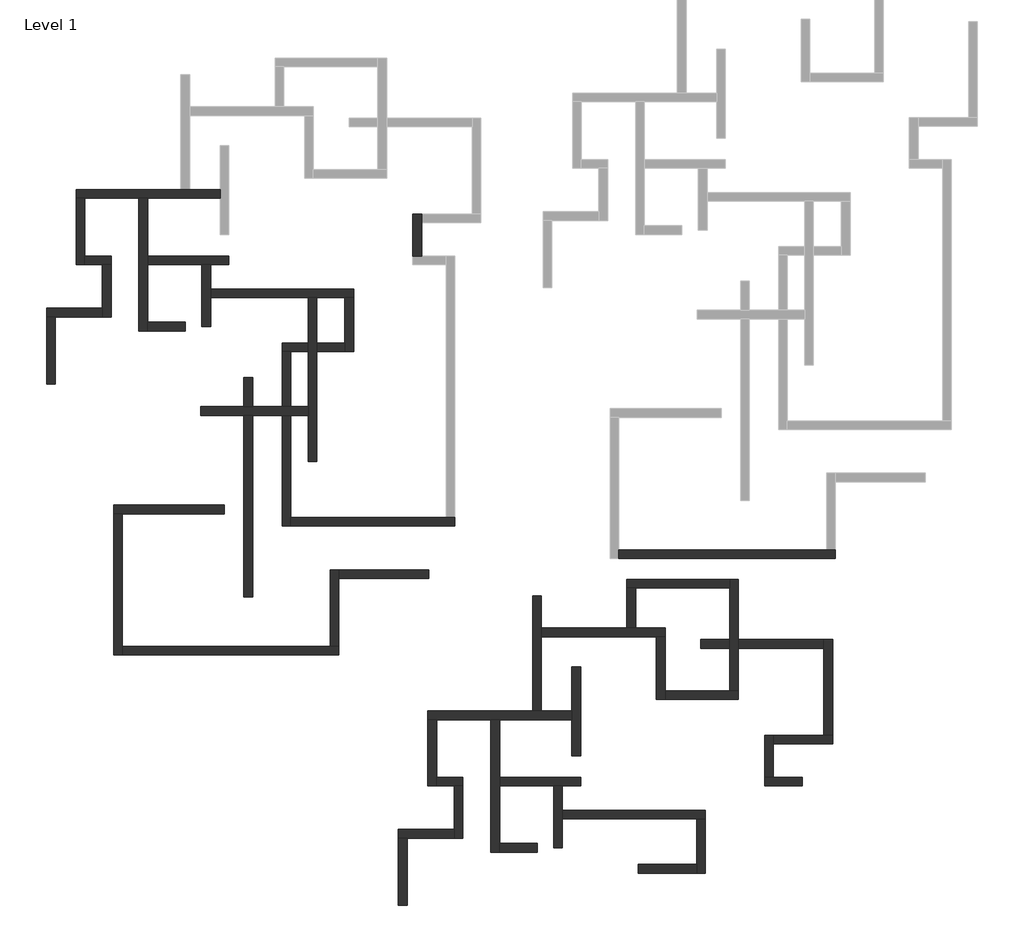
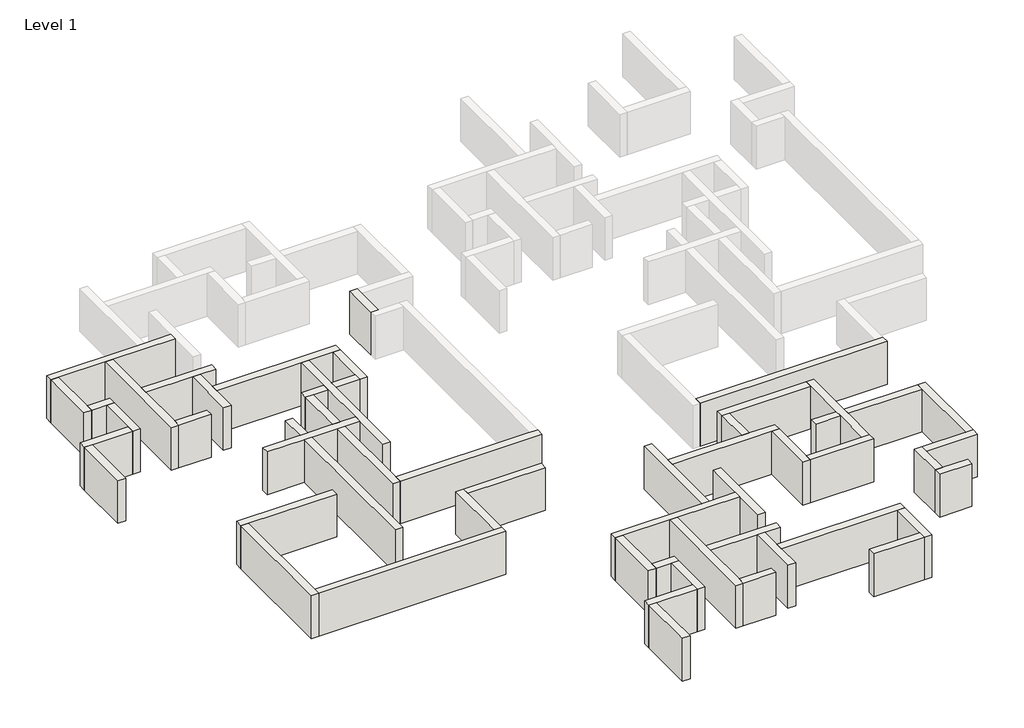
# One storey, part 1 of 2: 51 walls.
"""IFC4 building model written with IfcOpenShell, lengths in millimetres."""

from ifc_helpers import new_model, si_unit, origin, origin_with_axes, place, context, project, spatial, polyline, outline, extrude, faceted_brep, element, save

model = new_model("IFC4")

# Units and contexts
model_context = context("Model", 3, world=origin())
ifc_project = project(units=[si_unit("LENGTHUNIT", "METRE", prefix="MILLI")], contexts=[model_context])

# Site, building, storey
site = spatial("IfcSite", under=ifc_project)
building = spatial("IfcBuilding", under=site)
storey = spatial("IfcBuildingStorey", under=building, Name="Level 1", Elevation=0.0)

# Walls
placement = place(None, origin())
element("IfcWall", 1, ObjectType="Generic - 200mm", at=placement, inside=storey, context=model_context, shape_type="Brep", body=[
    faceted_brep([(-19634.8033404, 18137.4534844, 0.0), (-19134.8033404, 18137.4534844, 0.0), (-16034.8033404, 18137.4534844, 0.0), (-15534.8033404, 18137.4534844, 0.0), (-11384.8033404, 18137.4534844, 0.0), (-11384.8033404, 18137.4534844, 3000.0), (-15534.8033404, 18137.4534844, 3000.0), (-16034.8033404, 18137.4534844, 3000.0), (-19134.8033404, 18137.4534844, 3000.0), (-19634.8033404, 18137.4534844, 3000.0), (-19634.8033404, 18637.4534844, 0.0), (-19634.8033404, 18637.4534844, 3000.0), (-13634.8033404, 18637.4534844, 3000.0), (-13134.8033404, 18637.4534844, 3000.0), (-11384.8033404, 18637.4534844, 3000.0), (-11384.8033404, 18637.4534844, 0.0), (-13134.8033404, 18637.4534844, 0.0), (-13634.8033404, 18637.4534844, 0.0)], [[[0, 1, 2, 3, 4, 5, 6, 7, 8, 9]], [[10, 11, 12, 13, 14, 15, 16, 17]], [[4, 3, 2, 1, 0, 10, 17, 16, 15]], [[9, 8, 7, 6, 5, 14, 13, 12, 11]], [[0, 9, 11, 10]], [[5, 4, 15, 14]]]),
])
element("IfcWall", 2, ObjectType="Generic - 200mm", at=placement, inside=storey, context=model_context, shape_type="Brep", body=[
    faceted_brep([(-16034.8033404, 18137.4534844, 0.0), (-16034.8033404, 10537.4534844, 0.0), (-16034.8033404, 10537.4534844, 3000.0), (-16034.8033404, 18137.4534844, 3000.0), (-15534.8033404, 18137.4534844, 0.0), (-15534.8033404, 18137.4534844, 3000.0), (-15534.8033404, 14837.4534844, 3000.0), (-15534.8033404, 14337.4534844, 3000.0), (-15534.8033404, 11037.4534844, 3000.0), (-15534.8033404, 10537.4534844, 3000.0), (-15534.8033404, 10537.4534844, 0.0), (-15534.8033404, 11037.4534844, 0.0), (-15534.8033404, 14337.4534844, 0.0), (-15534.8033404, 14837.4534844, 0.0)], [[[0, 1, 2, 3]], [[4, 5, 6, 7, 8, 9, 10, 11, 12, 13]], [[1, 0, 4, 13, 12, 11, 10]], [[3, 2, 9, 8, 7, 6, 5]], [[0, 3, 5, 4]], [[2, 1, 10, 9]]]),
])
element("IfcWall", 3, ObjectType="Generic - 200mm", at=placement, inside=storey, context=model_context, shape_type="Brep", body=[
    faceted_brep([(-15534.8033404, 14337.4534844, 0.0), (-12434.8033404, 14337.4534844, 0.0), (-11934.8033404, 14337.4534844, 0.0), (-10884.8033404, 14337.4534844, 0.0), (-10884.8033404, 14337.4534844, 3000.0), (-11934.8033404, 14337.4534844, 3000.0), (-12434.8033404, 14337.4534844, 3000.0), (-15534.8033404, 14337.4534844, 3000.0), (-15534.8033404, 14837.4534844, 0.0), (-15534.8033404, 14837.4534844, 3000.0), (-10884.8033404, 14837.4534844, 3000.0), (-10884.8033404, 14837.4534844, 0.0)], [[[0, 1, 2, 3, 4, 5, 6, 7]], [[8, 9, 10, 11]], [[3, 2, 1, 0, 8, 11]], [[4, 3, 11, 10]], [[7, 6, 5, 4, 10, 9]], [[0, 7, 9, 8]]]),
])
element("IfcWall", 4, ObjectType="Generic - 200mm", at=placement, inside=storey, context=model_context, shape_type="Brep", body=[
    faceted_brep([(-12434.8033404, 14337.4534844, 0.0), (-12434.8033404, 10787.4534844, 0.0), (-12434.8033404, 10787.4534844, 3000.0), (-12434.8033404, 14337.4534844, 3000.0), (-11934.8033404, 14337.4534844, 0.0), (-11934.8033404, 14337.4534844, 3000.0), (-11934.8033404, 12937.4534844, 3000.0), (-11934.8033404, 12437.4534844, 3000.0), (-11934.8033404, 10787.4534844, 3000.0), (-11934.8033404, 10787.4534844, 0.0), (-11934.8033404, 12437.4534844, 0.0), (-11934.8033404, 12937.4534844, 0.0)], [[[0, 1, 2, 3]], [[4, 5, 6, 7, 8, 9, 10, 11]], [[1, 0, 4, 11, 10, 9]], [[2, 1, 9, 8]], [[3, 2, 8, 7, 6, 5]], [[0, 3, 5, 4]]]),
])
element("IfcWall", 5, ObjectType="Generic - 200mm", at=placement, inside=storey, context=model_context, shape_type="Brep", body=[
    faceted_brep([(-19634.8033404, 18137.4534844, 0.0), (-19634.8033404, 14337.4534844, 0.0), (-19634.8033404, 14337.4534844, 3000.0), (-19634.8033404, 18137.4534844, 3000.0), (-19134.8033404, 18137.4534844, 0.0), (-19134.8033404, 18137.4534844, 3000.0), (-19134.8033404, 14837.4534844, 3000.0), (-19134.8033404, 14337.4534844, 3000.0), (-19134.8033404, 14337.4534844, 0.0), (-19134.8033404, 14837.4534844, 0.0)], [[[0, 1, 2, 3]], [[4, 5, 6, 7, 8, 9]], [[1, 0, 4, 9, 8]], [[3, 2, 7, 6, 5]], [[0, 3, 5, 4]], [[2, 1, 8, 7]]]),
])
element("IfcWall", 6, ObjectType="Generic - 200mm", at=placement, inside=storey, context=model_context, shape_type="Brep", body=[
    faceted_brep([(-19134.8033404, 14337.4534844, 0.0), (-18134.8033404, 14337.4534844, 0.0), (-17634.8033404, 14337.4534844, 0.0), (-17634.8033404, 14337.4534844, 3000.0), (-18134.8033404, 14337.4534844, 3000.0), (-19134.8033404, 14337.4534844, 3000.0), (-19134.8033404, 14837.4534844, 0.0), (-19134.8033404, 14837.4534844, 3000.0), (-17634.8033404, 14837.4534844, 3000.0), (-17634.8033404, 14837.4534844, 0.0)], [[[0, 1, 2, 3, 4, 5]], [[6, 7, 8, 9]], [[2, 1, 0, 6, 9]], [[5, 4, 3, 8, 7]], [[0, 5, 7, 6]], [[3, 2, 9, 8]]]),
])
element("IfcWall", 7, ObjectType="Generic - 200mm", at=placement, inside=storey, context=model_context, shape_type="Brep", body=[
    faceted_brep([(-18134.8033404, 14337.4534844, 0.0), (-18134.8033404, 11837.4534844, 0.0), (-18134.8033404, 11337.4534844, 0.0), (-18134.8033404, 11337.4534844, 3000.0), (-18134.8033404, 11837.4534844, 3000.0), (-18134.8033404, 14337.4534844, 3000.0), (-17634.8033404, 14337.4534844, 0.0), (-17634.8033404, 14337.4534844, 3000.0), (-17634.8033404, 11337.4534844, 3000.0), (-17634.8033404, 11337.4534844, 0.0)], [[[0, 1, 2, 3, 4, 5]], [[6, 7, 8, 9]], [[2, 1, 0, 6, 9]], [[5, 4, 3, 8, 7]], [[0, 5, 7, 6]], [[3, 2, 9, 8]]]),
])
element("IfcWall", 8, ObjectType="Generic - 200mm", at=placement, inside=storey, context=model_context, shape_type="Brep", body=[
    faceted_brep([(-18134.8033404, 11837.4534844, 0.0), (-21334.8033404, 11837.4534844, 0.0), (-21334.8033404, 11837.4534844, 3000.0), (-18134.8033404, 11837.4534844, 3000.0), (-18134.8033404, 11337.4534844, 0.0), (-18134.8033404, 11337.4534844, 3000.0), (-20834.8033404, 11337.4534844, 3000.0), (-21334.8033404, 11337.4534844, 3000.0), (-21334.8033404, 11337.4534844, 0.0), (-20834.8033404, 11337.4534844, 0.0)], [[[0, 1, 2, 3]], [[4, 5, 6, 7, 8, 9]], [[1, 0, 4, 9, 8]], [[3, 2, 7, 6, 5]], [[0, 3, 5, 4]], [[2, 1, 8, 7]]]),
])
element("IfcWall", 9, ObjectType="Generic - 200mm", at=placement, inside=storey, context=model_context, shape_type="SweptSolid", body=[
    extrude(outline(polyline([(-21334.8033404, 7487.4534844), (-21334.8033404, 11337.4534844), (-20834.8033404, 11337.4534844), (-20834.8033404, 7487.4534844), (-21334.8033404, 7487.4534844)])), origin_with_axes(), (0.0, 0.0, 1.0), 3000.0),
])
element("IfcWall", 10, ObjectType="Generic - 200mm", at=placement, inside=storey, context=model_context, shape_type="SweptSolid", body=[
    extrude(outline(polyline([(-13384.8033404, 10537.4534844), (-15534.8033404, 10537.4534844), (-15534.8033404, 11037.4534844), (-13384.8033404, 11037.4534844), (-13384.8033404, 10537.4534844)])), origin_with_axes(), (0.0, 0.0, 1.0), 3000.0),
])
element("IfcWall", 11, ObjectType="Generic - 200mm", at=placement, inside=storey, context=model_context, shape_type="Brep", body=[
    faceted_brep([(-11934.8033404, 12437.4534844, 0.0), (-6334.8033404, 12437.4534844, 0.0), (-5834.8033404, 12437.4534844, 0.0), (-4234.8033404, 12437.4534844, 0.0), (-3734.8033404, 12437.4534844, 0.0), (-3734.8033404, 12437.4534844, 3000.0), (-4234.8033404, 12437.4534844, 3000.0), (-5834.8033404, 12437.4534844, 3000.0), (-6334.8033404, 12437.4534844, 3000.0), (-11934.8033404, 12437.4534844, 3000.0), (-11934.8033404, 12937.4534844, 0.0), (-11934.8033404, 12937.4534844, 3000.0), (-3734.8033404, 12937.4534844, 3000.0), (-3734.8033404, 12937.4534844, 0.0)], [[[0, 1, 2, 3, 4, 5, 6, 7, 8, 9]], [[10, 11, 12, 13]], [[4, 3, 2, 1, 0, 10, 13]], [[9, 8, 7, 6, 5, 12, 11]], [[0, 9, 11, 10]], [[5, 4, 13, 12]]]),
])
element("IfcWall", 12, ObjectType="Generic - 200mm", at=placement, inside=storey, context=model_context, shape_type="Brep", body=[
    faceted_brep([(-6334.8033404, 12437.4534844, 0.0), (-6334.8033404, 9837.4534844, 0.0), (-6334.8033404, 9337.4534844, 0.0), (-6334.8033404, 6187.4534844, 0.0), (-6334.8033404, 5687.4534844, 0.0), (-6334.8033404, 3037.4534844, 0.0), (-6334.8033404, 3037.4534844, 3000.0), (-6334.8033404, 5687.4534844, 3000.0), (-6334.8033404, 6187.4534844, 3000.0), (-6334.8033404, 9337.4534844, 3000.0), (-6334.8033404, 9837.4534844, 3000.0), (-6334.8033404, 12437.4534844, 3000.0), (-5834.8033404, 12437.4534844, 0.0), (-5834.8033404, 12437.4534844, 3000.0), (-5834.8033404, 9837.4534844, 3000.0), (-5834.8033404, 9337.4534844, 3000.0), (-5834.8033404, 3037.4534844, 3000.0), (-5834.8033404, 3037.4534844, 0.0), (-5834.8033404, 9337.4534844, 0.0), (-5834.8033404, 9837.4534844, 0.0)], [[[0, 1, 2, 3, 4, 5, 6, 7, 8, 9, 10, 11]], [[12, 13, 14, 15, 16, 17, 18, 19]], [[5, 4, 3, 2, 1, 0, 12, 19, 18, 17]], [[6, 5, 17, 16]], [[11, 10, 9, 8, 7, 6, 16, 15, 14, 13]], [[0, 11, 13, 12]]]),
])
element("IfcWall", 13, ObjectType="Generic - 200mm", at=placement, inside=storey, context=model_context, shape_type="Brep", body=[
    faceted_brep([(-6334.8033404, 6187.4534844, 0.0), (-7334.8033404, 6187.4534844, 0.0), (-7834.8033404, 6187.4534844, 0.0), (-9515.2174513, 6187.4534844, 0.0), (-10015.2174513, 6187.4534844, 0.0), (-12484.8033404, 6187.4534844, 0.0), (-12484.8033404, 6187.4534844, 3000.0), (-10015.2174513, 6187.4534844, 3000.0), (-9515.2174513, 6187.4534844, 3000.0), (-7834.8033404, 6187.4534844, 3000.0), (-7334.8033404, 6187.4534844, 3000.0), (-6334.8033404, 6187.4534844, 3000.0), (-6334.8033404, 5687.4534844, 0.0), (-6334.8033404, 5687.4534844, 3000.0), (-7334.8033404, 5687.4534844, 3000.0), (-7834.8033404, 5687.4534844, 3000.0), (-9515.2174513, 5687.4534844, 3000.0), (-10015.2174513, 5687.4534844, 3000.0), (-12484.8033404, 5687.4534844, 3000.0), (-12484.8033404, 5687.4534844, 0.0), (-10015.2174513, 5687.4534844, 0.0), (-9515.2174513, 5687.4534844, 0.0), (-7834.8033404, 5687.4534844, 0.0), (-7334.8033404, 5687.4534844, 0.0)], [[[0, 1, 2, 3, 4, 5, 6, 7, 8, 9, 10, 11]], [[12, 13, 14, 15, 16, 17, 18, 19, 20, 21, 22, 23]], [[5, 4, 3, 2, 1, 0, 12, 23, 22, 21, 20, 19]], [[6, 5, 19, 18]], [[11, 10, 9, 8, 7, 6, 18, 17, 16, 15, 14, 13]], [[0, 11, 13, 12]]]),
])
element("IfcWall", 14, ObjectType="Generic - 200mm", at=placement, inside=storey, context=model_context, shape_type="SweptSolid", body=[
    extrude(outline(polyline([(-9515.2174513, -4735.4605601), (-10015.2174513, -4735.4605601), (-10015.2174513, 5687.4534844), (-9515.2174513, 5687.4534844), (-9515.2174513, -4735.4605601)])), origin_with_axes(), (0.0, 0.0, 1.0), 3000.0),
    extrude(outline(polyline([(-10015.2174513, 7864.5394399), (-9515.2174513, 7864.5394399), (-9515.2174513, 6187.4534844), (-10015.2174513, 6187.4534844), (-10015.2174513, 7864.5394399)])), origin_with_axes(), (0.0, 0.0, 1.0), 3000.0),
])
element("IfcWall", 15, ObjectType="Generic - 200mm", at=placement, inside=storey, context=model_context, shape_type="Brep", body=[
    faceted_brep([(-4234.8033404, 12437.4534844, 0.0), (-4234.8033404, 9837.4534844, 0.0), (-4234.8033404, 9337.4534844, 0.0), (-4234.8033404, 9337.4534844, 3000.0), (-4234.8033404, 9837.4534844, 3000.0), (-4234.8033404, 12437.4534844, 3000.0), (-3734.8033404, 12437.4534844, 0.0), (-3734.8033404, 12437.4534844, 3000.0), (-3734.8033404, 9337.4534844, 3000.0), (-3734.8033404, 9337.4534844, 0.0)], [[[0, 1, 2, 3, 4, 5]], [[6, 7, 8, 9]], [[2, 1, 0, 6, 9]], [[5, 4, 3, 8, 7]], [[0, 5, 7, 6]], [[3, 2, 9, 8]]]),
])
element("IfcWall", 16, ObjectType="Generic - 200mm", at=placement, inside=storey, context=model_context, shape_type="Brep", body=[
    faceted_brep([(-4234.8033404, 9837.4534844, 3000.0), (-4234.8033404, 9837.4534844, 0.0), (-5834.8033404, 9837.4534844, 0.0), (-5834.8033404, 9837.4534844, 3000.0), (-4234.8033404, 9337.4534844, 0.0), (-4234.8033404, 9337.4534844, 3000.0), (-5834.8033404, 9337.4534844, 3000.0), (-5834.8033404, 9337.4534844, 0.0)], [[[0, 1, 2, 3]], [[4, 5, 6, 7]], [[1, 4, 7, 2]], [[5, 0, 3, 6]], [[1, 0, 5, 4]], [[3, 2, 7, 6]]]),
    faceted_brep([(-7834.8033404, 9837.4534844, 0.0), (-7834.8033404, 9837.4534844, 3000.0), (-6334.8033404, 9837.4534844, 3000.0), (-6334.8033404, 9837.4534844, 0.0), (-7834.8033404, 9337.4534844, 3000.0), (-7834.8033404, 9337.4534844, 0.0), (-7334.8033404, 9337.4534844, 0.0), (-6334.8033404, 9337.4534844, 0.0), (-6334.8033404, 9337.4534844, 3000.0), (-7334.8033404, 9337.4534844, 3000.0)], [[[0, 1, 2, 3]], [[4, 5, 6, 7, 8, 9]], [[5, 0, 3, 7, 6]], [[1, 4, 9, 8, 2]], [[3, 2, 8, 7]], [[1, 0, 5, 4]]]),
])
element("IfcWall", 17, ObjectType="Generic - 200mm", at=placement, inside=storey, context=model_context, shape_type="Brep", body=[
    faceted_brep([(-7834.8033404, 9337.4534844, 3000.0), (-7834.8033404, 9337.4534844, 0.0), (-7834.8033404, 6187.4534844, 0.0), (-7834.8033404, 6187.4534844, 3000.0), (-7334.8033404, 9337.4534844, 0.0), (-7334.8033404, 9337.4534844, 3000.0), (-7334.8033404, 6187.4534844, 3000.0), (-7334.8033404, 6187.4534844, 0.0)], [[[0, 1, 2, 3]], [[4, 5, 6, 7]], [[1, 4, 7, 2]], [[5, 0, 3, 6]], [[1, 0, 5, 4]], [[3, 2, 7, 6]]]),
    faceted_brep([(-7834.8033404, -662.5465156, 0.0), (-7834.8033404, -662.5465156, 3000.0), (-7834.8033404, 5687.4534844, 3000.0), (-7834.8033404, 5687.4534844, 0.0), (-7334.8033404, -662.5465156, 3000.0), (-7334.8033404, -662.5465156, 0.0), (-7334.8033404, -162.5465156, 0.0), (-7334.8033404, 5687.4534844, 0.0), (-7334.8033404, 5687.4534844, 3000.0), (-7334.8033404, -162.5465156, 3000.0)], [[[0, 1, 2, 3]], [[4, 5, 6, 7, 8, 9]], [[5, 0, 3, 7, 6]], [[1, 4, 9, 8, 2]], [[3, 2, 8, 7]], [[1, 0, 5, 4]]]),
])
element("IfcWall", 18, ObjectType="Generic - 200mm", at=placement, inside=storey, context=model_context, shape_type="Brep", body=[
    faceted_brep([(-7334.8033404, -662.5465156, 0.0), (2065.1966596, -662.5465156, 0.0), (2065.1966596, -662.5465156, 3000.0), (-7334.8033404, -662.5465156, 3000.0), (-7334.8033404, -162.5465156, 0.0), (-7334.8033404, -162.5465156, 3000.0), (1565.1966596, -162.5465156, 3000.0), (2065.1966596, -162.5465156, 3000.0), (2065.1966596, -162.5465156, 0.0), (1565.1966596, -162.5465156, 0.0)], [[[0, 1, 2, 3]], [[4, 5, 6, 7, 8, 9]], [[1, 0, 4, 9, 8]], [[3, 2, 7, 6, 5]], [[0, 3, 5, 4]], [[2, 1, 8, 7]]]),
])
element("IfcWall", 19, ObjectType="Generic - 200mm", at=placement, inside=storey, context=model_context, shape_type="Brep", body=[
    faceted_brep([(165.1966596, 14837.4534844, 0.0), (165.1966596, 16737.4534844, 0.0), (165.1966596, 17237.4534844, 0.0), (165.1966596, 17237.4534844, 3000.0), (165.1966596, 16737.4534844, 3000.0), (165.1966596, 14837.4534844, 3000.0), (-334.8033404, 14837.4534844, 0.0), (-334.8033404, 14837.4534844, 3000.0), (-334.8033404, 17237.4534844, 3000.0), (-334.8033404, 17237.4534844, 0.0)], [[[0, 1, 2, 3, 4, 5]], [[6, 7, 8, 9]], [[2, 1, 0, 6, 9]], [[5, 4, 3, 8, 7]], [[0, 5, 7, 6]], [[3, 2, 9, 8]]]),
])
element("IfcWall", 20, ObjectType="Generic - 200mm", at=placement, inside=storey, context=model_context, shape_type="Brep", body=[
    faceted_brep([(-11134.8033404, 537.4534844, 0.0), (-17484.8033404, 537.4534844, 0.0), (-17484.8033404, 537.4534844, 3000.0), (-11134.8033404, 537.4534844, 3000.0), (-11134.8033404, 37.4534844, 0.0), (-11134.8033404, 37.4534844, 3000.0), (-16984.8033404, 37.4534844, 3000.0), (-17484.8033404, 37.4534844, 3000.0), (-17484.8033404, 37.4534844, 0.0), (-16984.8033404, 37.4534844, 0.0)], [[[0, 1, 2, 3]], [[4, 5, 6, 7, 8, 9]], [[1, 0, 4, 9, 8]], [[3, 2, 7, 6, 5]], [[0, 3, 5, 4]], [[2, 1, 8, 7]]]),
])
element("IfcWall", 21, ObjectType="Generic - 200mm", at=placement, inside=storey, context=model_context, shape_type="Brep", body=[
    faceted_brep([(-17484.8033404, 37.4534844, 0.0), (-17484.8033404, -8062.5465156, 0.0), (-17484.8033404, -8062.5465156, 3000.0), (-17484.8033404, 37.4534844, 3000.0), (-16984.8033404, 37.4534844, 0.0), (-16984.8033404, 37.4534844, 3000.0), (-16984.8033404, -7562.5465156, 3000.0), (-16984.8033404, -8062.5465156, 3000.0), (-16984.8033404, -8062.5465156, 0.0), (-16984.8033404, -7562.5465156, 0.0)], [[[0, 1, 2, 3]], [[4, 5, 6, 7, 8, 9]], [[1, 0, 4, 9, 8]], [[3, 2, 7, 6, 5]], [[0, 3, 5, 4]], [[2, 1, 8, 7]]]),
])
element("IfcWall", 22, ObjectType="Generic - 200mm", at=placement, inside=storey, context=model_context, shape_type="Brep", body=[
    faceted_brep([(-16984.8033404, -8062.5465156, 0.0), (-4584.8033404, -8062.5465156, 0.0), (-4584.8033404, -8062.5465156, 3000.0), (-16984.8033404, -8062.5465156, 3000.0), (-16984.8033404, -7562.5465156, 0.0), (-16984.8033404, -7562.5465156, 3000.0), (-5084.8033404, -7562.5465156, 3000.0), (-4584.8033404, -7562.5465156, 3000.0), (-4584.8033404, -7562.5465156, 0.0), (-5084.8033404, -7562.5465156, 0.0)], [[[0, 1, 2, 3]], [[4, 5, 6, 7, 8, 9]], [[1, 0, 4, 9, 8]], [[3, 2, 7, 6, 5]], [[0, 3, 5, 4]], [[2, 1, 8, 7]]]),
])
element("IfcWall", 23, ObjectType="Generic - 200mm", at=placement, inside=storey, context=model_context, shape_type="Brep", body=[
    faceted_brep([(-4584.8033404, -7562.5465156, 0.0), (-4584.8033404, -3662.5465156, 0.0), (-4584.8033404, -3162.5465156, 0.0), (-4584.8033404, -3162.5465156, 3000.0), (-4584.8033404, -3662.5465156, 3000.0), (-4584.8033404, -7562.5465156, 3000.0), (-5084.8033404, -7562.5465156, 0.0), (-5084.8033404, -7562.5465156, 3000.0), (-5084.8033404, -3162.5465156, 3000.0), (-5084.8033404, -3162.5465156, 0.0)], [[[0, 1, 2, 3, 4, 5]], [[6, 7, 8, 9]], [[2, 1, 0, 6, 9]], [[5, 4, 3, 8, 7]], [[0, 5, 7, 6]], [[3, 2, 9, 8]]]),
])
element("IfcWall", 24, ObjectType="Generic - 200mm", at=placement, inside=storey, context=model_context, shape_type="SweptSolid", body=[
    extrude(outline(polyline([(565.1966596, -3662.5465156), (-4584.8033404, -3662.5465156), (-4584.8033404, -3162.5465156), (565.1966596, -3162.5465156), (565.1966596, -3662.5465156)])), origin_with_axes(), (0.0, 0.0, 1.0), 3000.0),
])
element("IfcWall", 25, ObjectType="Generic - 200mm", at=placement, inside=storey, context=model_context, shape_type="Brep", body=[
    faceted_brep([(11482.3849796, -2529.0856497, 0.0), (23882.3849796, -2529.0856497, 0.0), (23882.3849796, -2529.0856497, 3000.0), (11482.3849796, -2529.0856497, 3000.0), (11482.3849796, -2029.0856497, 0.0), (11482.3849796, -2029.0856497, 3000.0), (23382.3849796, -2029.0856497, 3000.0), (23882.3849796, -2029.0856497, 3000.0), (23882.3849796, -2029.0856497, 0.0), (23382.3849796, -2029.0856497, 0.0)], [[[0, 1, 2, 3]], [[4, 5, 6, 7, 8, 9]], [[1, 0, 4, 9, 8]], [[3, 2, 7, 6, 5]], [[0, 3, 5, 4]], [[2, 1, 8, 7]]]),
])
element("IfcWall", 26, ObjectType="Generic - 200mm", at=placement, inside=storey, context=model_context, shape_type="Brep", body=[
    faceted_brep([(532.3849796, -11761.6327635, 0.0), (1032.3849796, -11761.6327635, 0.0), (4132.3849796, -11761.6327635, 0.0), (4632.3849796, -11761.6327635, 0.0), (8782.3849796, -11761.6327635, 0.0), (8782.3849796, -11761.6327635, 3000.0), (4632.3849796, -11761.6327635, 3000.0), (4132.3849796, -11761.6327635, 3000.0), (1032.3849796, -11761.6327635, 3000.0), (532.3849796, -11761.6327635, 3000.0), (532.3849796, -11261.6327635, 0.0), (532.3849796, -11261.6327635, 3000.0), (6532.3849796, -11261.6327635, 3000.0), (7032.3849796, -11261.6327635, 3000.0), (8782.3849796, -11261.6327635, 3000.0), (8782.3849796, -11261.6327635, 0.0), (7032.3849796, -11261.6327635, 0.0), (6532.3849796, -11261.6327635, 0.0)], [[[0, 1, 2, 3, 4, 5, 6, 7, 8, 9]], [[10, 11, 12, 13, 14, 15, 16, 17]], [[4, 3, 2, 1, 0, 10, 17, 16, 15]], [[9, 8, 7, 6, 5, 14, 13, 12, 11]], [[0, 9, 11, 10]], [[5, 4, 15, 14]]]),
])
element("IfcWall", 27, ObjectType="Generic - 200mm", at=placement, inside=storey, context=model_context, shape_type="Brep", body=[
    faceted_brep([(4132.3849796, -11761.6327635, 0.0), (4132.3849796, -19361.6327635, 0.0), (4132.3849796, -19361.6327635, 3000.0), (4132.3849796, -11761.6327635, 3000.0), (4632.3849796, -11761.6327635, 0.0), (4632.3849796, -11761.6327635, 3000.0), (4632.3849796, -15061.6327635, 3000.0), (4632.3849796, -15561.6327635, 3000.0), (4632.3849796, -18861.6327635, 3000.0), (4632.3849796, -19361.6327635, 3000.0), (4632.3849796, -19361.6327635, 0.0), (4632.3849796, -18861.6327635, 0.0), (4632.3849796, -15561.6327635, 0.0), (4632.3849796, -15061.6327635, 0.0)], [[[0, 1, 2, 3]], [[4, 5, 6, 7, 8, 9, 10, 11, 12, 13]], [[1, 0, 4, 13, 12, 11, 10]], [[3, 2, 9, 8, 7, 6, 5]], [[0, 3, 5, 4]], [[2, 1, 10, 9]]]),
])
element("IfcWall", 28, ObjectType="Generic - 200mm", at=placement, inside=storey, context=model_context, shape_type="Brep", body=[
    faceted_brep([(4632.3849796, -15561.6327635, 0.0), (7732.3849796, -15561.6327635, 0.0), (8232.3849796, -15561.6327635, 0.0), (9282.3849796, -15561.6327635, 0.0), (9282.3849796, -15561.6327635, 3000.0), (8232.3849796, -15561.6327635, 3000.0), (7732.3849796, -15561.6327635, 3000.0), (4632.3849796, -15561.6327635, 3000.0), (4632.3849796, -15061.6327635, 0.0), (4632.3849796, -15061.6327635, 3000.0), (9282.3849796, -15061.6327635, 3000.0), (9282.3849796, -15061.6327635, 0.0)], [[[0, 1, 2, 3, 4, 5, 6, 7]], [[8, 9, 10, 11]], [[3, 2, 1, 0, 8, 11]], [[4, 3, 11, 10]], [[7, 6, 5, 4, 10, 9]], [[0, 7, 9, 8]]]),
])
element("IfcWall", 29, ObjectType="Generic - 200mm", at=placement, inside=storey, context=model_context, shape_type="Brep", body=[
    faceted_brep([(7732.3849796, -15561.6327635, 0.0), (7732.3849796, -19111.6327635, 0.0), (7732.3849796, -19111.6327635, 3000.0), (7732.3849796, -15561.6327635, 3000.0), (8232.3849796, -15561.6327635, 0.0), (8232.3849796, -15561.6327635, 3000.0), (8232.3849796, -16961.6327635, 3000.0), (8232.3849796, -17461.6327635, 3000.0), (8232.3849796, -19111.6327635, 3000.0), (8232.3849796, -19111.6327635, 0.0), (8232.3849796, -17461.6327635, 0.0), (8232.3849796, -16961.6327635, 0.0)], [[[0, 1, 2, 3]], [[4, 5, 6, 7, 8, 9, 10, 11]], [[1, 0, 4, 11, 10, 9]], [[2, 1, 9, 8]], [[3, 2, 8, 7, 6, 5]], [[0, 3, 5, 4]]]),
])
element("IfcWall", 30, ObjectType="Generic - 200mm", at=placement, inside=storey, context=model_context, shape_type="Brep", body=[
    faceted_brep([(532.3849796, -11761.6327635, 0.0), (532.3849796, -15561.6327635, 0.0), (532.3849796, -15561.6327635, 3000.0), (532.3849796, -11761.6327635, 3000.0), (1032.3849796, -11761.6327635, 0.0), (1032.3849796, -11761.6327635, 3000.0), (1032.3849796, -15061.6327635, 3000.0), (1032.3849796, -15561.6327635, 3000.0), (1032.3849796, -15561.6327635, 0.0), (1032.3849796, -15061.6327635, 0.0)], [[[0, 1, 2, 3]], [[4, 5, 6, 7, 8, 9]], [[1, 0, 4, 9, 8]], [[3, 2, 7, 6, 5]], [[0, 3, 5, 4]], [[2, 1, 8, 7]]]),
])
element("IfcWall", 31, ObjectType="Generic - 200mm", at=placement, inside=storey, context=model_context, shape_type="Brep", body=[
    faceted_brep([(1032.3849796, -15561.6327635, 0.0), (2032.3849796, -15561.6327635, 0.0), (2532.3849796, -15561.6327635, 0.0), (2532.3849796, -15561.6327635, 3000.0), (2032.3849796, -15561.6327635, 3000.0), (1032.3849796, -15561.6327635, 3000.0), (1032.3849796, -15061.6327635, 0.0), (1032.3849796, -15061.6327635, 3000.0), (2532.3849796, -15061.6327635, 3000.0), (2532.3849796, -15061.6327635, 0.0)], [[[0, 1, 2, 3, 4, 5]], [[6, 7, 8, 9]], [[2, 1, 0, 6, 9]], [[5, 4, 3, 8, 7]], [[0, 5, 7, 6]], [[3, 2, 9, 8]]]),
])
element("IfcWall", 32, ObjectType="Generic - 200mm", at=placement, inside=storey, context=model_context, shape_type="Brep", body=[
    faceted_brep([(2032.3849796, -15561.6327635, 0.0), (2032.3849796, -18061.6327635, 0.0), (2032.3849796, -18561.6327635, 0.0), (2032.3849796, -18561.6327635, 3000.0), (2032.3849796, -18061.6327635, 3000.0), (2032.3849796, -15561.6327635, 3000.0), (2532.3849796, -15561.6327635, 0.0), (2532.3849796, -15561.6327635, 3000.0), (2532.3849796, -18561.6327635, 3000.0), (2532.3849796, -18561.6327635, 0.0)], [[[0, 1, 2, 3, 4, 5]], [[6, 7, 8, 9]], [[2, 1, 0, 6, 9]], [[5, 4, 3, 8, 7]], [[0, 5, 7, 6]], [[3, 2, 9, 8]]]),
])
element("IfcWall", 33, ObjectType="Generic - 200mm", at=placement, inside=storey, context=model_context, shape_type="Brep", body=[
    faceted_brep([(2032.3849796, -18061.6327635, 0.0), (-1167.6150204, -18061.6327635, 0.0), (-1167.6150204, -18061.6327635, 3000.0), (2032.3849796, -18061.6327635, 3000.0), (2032.3849796, -18561.6327635, 0.0), (2032.3849796, -18561.6327635, 3000.0), (-667.6150204, -18561.6327635, 3000.0), (-1167.6150204, -18561.6327635, 3000.0), (-1167.6150204, -18561.6327635, 0.0), (-667.6150204, -18561.6327635, 0.0)], [[[0, 1, 2, 3]], [[4, 5, 6, 7, 8, 9]], [[1, 0, 4, 9, 8]], [[3, 2, 7, 6, 5]], [[0, 3, 5, 4]], [[2, 1, 8, 7]]]),
])
element("IfcWall", 34, ObjectType="Generic - 200mm", at=placement, inside=storey, context=model_context, shape_type="SweptSolid", body=[
    extrude(outline(polyline([(-1167.6150204, -22411.6327635), (-1167.6150204, -18561.6327635), (-667.6150204, -18561.6327635), (-667.6150204, -22411.6327635), (-1167.6150204, -22411.6327635)])), origin_with_axes(), (0.0, 0.0, 1.0), 3000.0),
])
element("IfcWall", 35, ObjectType="Generic - 200mm", at=placement, inside=storey, context=model_context, shape_type="SweptSolid", body=[
    extrude(outline(polyline([(6782.3849796, -19361.6327635), (4632.3849796, -19361.6327635), (4632.3849796, -18861.6327635), (6782.3849796, -18861.6327635), (6782.3849796, -19361.6327635)])), origin_with_axes(), (0.0, 0.0, 1.0), 3000.0),
])
element("IfcWall", 36, ObjectType="Generic - 200mm", at=placement, inside=storey, context=model_context, shape_type="Brep", body=[
    faceted_brep([(8232.3849796, -17461.6327635, 0.0), (15932.3849796, -17461.6327635, 0.0), (16432.3849796, -17461.6327635, 0.0), (16432.3849796, -17461.6327635, 3000.0), (15932.3849796, -17461.6327635, 3000.0), (8232.3849796, -17461.6327635, 3000.0), (8232.3849796, -16961.6327635, 0.0), (8232.3849796, -16961.6327635, 3000.0), (16432.3849796, -16961.6327635, 3000.0), (16432.3849796, -16961.6327635, 0.0)], [[[0, 1, 2, 3, 4, 5]], [[6, 7, 8, 9]], [[2, 1, 0, 6, 9]], [[5, 4, 3, 8, 7]], [[0, 5, 7, 6]], [[3, 2, 9, 8]]]),
])
element("IfcWall", 37, ObjectType="Generic - 200mm", at=placement, inside=storey, context=model_context, shape_type="Brep", body=[
    faceted_brep([(7032.3849796, -11261.6327635, 0.0), (7032.3849796, -7011.6327635, 0.0), (7032.3849796, -6511.6327635, 0.0), (7032.3849796, -4661.6327635, 0.0), (7032.3849796, -4661.6327635, 3000.0), (7032.3849796, -6511.6327635, 3000.0), (7032.3849796, -7011.6327635, 3000.0), (7032.3849796, -11261.6327635, 3000.0), (6532.3849796, -11261.6327635, 0.0), (6532.3849796, -11261.6327635, 3000.0), (6532.3849796, -4661.6327635, 3000.0), (6532.3849796, -4661.6327635, 0.0)], [[[0, 1, 2, 3, 4, 5, 6, 7]], [[8, 9, 10, 11]], [[3, 2, 1, 0, 8, 11]], [[4, 3, 11, 10]], [[7, 6, 5, 4, 10, 9]], [[0, 7, 9, 8]]]),
])
element("IfcWall", 38, ObjectType="Generic - 200mm", at=placement, inside=storey, context=model_context, shape_type="Brep", body=[
    faceted_brep([(7032.3849796, -7011.6327635, 0.0), (13632.3849796, -7011.6327635, 0.0), (14132.3849796, -7011.6327635, 0.0), (14132.3849796, -7011.6327635, 3000.0), (13632.3849796, -7011.6327635, 3000.0), (7032.3849796, -7011.6327635, 3000.0), (7032.3849796, -6511.6327635, 0.0), (7032.3849796, -6511.6327635, 3000.0), (11932.3849796, -6511.6327635, 3000.0), (12432.3849796, -6511.6327635, 3000.0), (14132.3849796, -6511.6327635, 3000.0), (14132.3849796, -6511.6327635, 0.0), (12432.3849796, -6511.6327635, 0.0), (11932.3849796, -6511.6327635, 0.0)], [[[0, 1, 2, 3, 4, 5]], [[6, 7, 8, 9, 10, 11, 12, 13]], [[2, 1, 0, 6, 13, 12, 11]], [[5, 4, 3, 10, 9, 8, 7]], [[0, 5, 7, 6]], [[3, 2, 11, 10]]]),
])
element("IfcWall", 39, ObjectType="Generic - 200mm", at=placement, inside=storey, context=model_context, shape_type="Brep", body=[
    faceted_brep([(9282.3849796, -13828.3353389, 0.0), (9282.3849796, -8728.3353389, 0.0), (9282.3849796, -8728.3353389, 3000.0), (9282.3849796, -13828.3353389, 3000.0), (8782.3849796, -13828.3353389, 0.0), (8782.3849796, -13828.3353389, 3000.0), (8782.3849796, -11761.6327635, 3000.0), (8782.3849796, -11261.6327635, 3000.0), (8782.3849796, -8728.3353389, 3000.0), (8782.3849796, -8728.3353389, 0.0), (8782.3849796, -11261.6327635, 0.0), (8782.3849796, -11761.6327635, 0.0)], [[[0, 1, 2, 3]], [[4, 5, 6, 7, 8, 9, 10, 11]], [[1, 0, 4, 11, 10, 9]], [[2, 1, 9, 8]], [[3, 2, 8, 7, 6, 5]], [[0, 3, 5, 4]]]),
])
element("IfcWall", 40, ObjectType="Generic - 200mm", at=placement, inside=storey, context=model_context, shape_type="Brep", body=[
    faceted_brep([(13632.3849796, -7011.6327635, 0.0), (13632.3849796, -10611.6327635, 0.0), (13632.3849796, -10611.6327635, 3000.0), (13632.3849796, -7011.6327635, 3000.0), (14132.3849796, -7011.6327635, 0.0), (14132.3849796, -7011.6327635, 3000.0), (14132.3849796, -10111.6327635, 3000.0), (14132.3849796, -10611.6327635, 3000.0), (14132.3849796, -10611.6327635, 0.0), (14132.3849796, -10111.6327635, 0.0)], [[[0, 1, 2, 3]], [[4, 5, 6, 7, 8, 9]], [[1, 0, 4, 9, 8]], [[3, 2, 7, 6, 5]], [[0, 3, 5, 4]], [[2, 1, 8, 7]]]),
])
element("IfcWall", 41, ObjectType="Generic - 200mm", at=placement, inside=storey, context=model_context, shape_type="Brep", body=[
    faceted_brep([(14132.3849796, -10611.6327635, 0.0), (18332.3849796, -10611.6327635, 0.0), (18332.3849796, -10611.6327635, 3000.0), (14132.3849796, -10611.6327635, 3000.0), (14132.3849796, -10111.6327635, 0.0), (14132.3849796, -10111.6327635, 3000.0), (17832.3849796, -10111.6327635, 3000.0), (18332.3849796, -10111.6327635, 3000.0), (18332.3849796, -10111.6327635, 0.0), (17832.3849796, -10111.6327635, 0.0)], [[[0, 1, 2, 3]], [[4, 5, 6, 7, 8, 9]], [[1, 0, 4, 9, 8]], [[3, 2, 7, 6, 5]], [[0, 3, 5, 4]], [[2, 1, 8, 7]]]),
])
element("IfcWall", 42, ObjectType="Generic - 200mm", at=placement, inside=storey, context=model_context, shape_type="Brep", body=[
    faceted_brep([(18332.3849796, -10111.6327635, 0.0), (18332.3849796, -7661.6327635, 0.0), (18332.3849796, -7161.6327635, 0.0), (18332.3849796, -3711.6327635, 0.0), (18332.3849796, -3711.6327635, 3000.0), (18332.3849796, -7161.6327635, 3000.0), (18332.3849796, -7661.6327635, 3000.0), (18332.3849796, -10111.6327635, 3000.0), (17832.3849796, -10111.6327635, 0.0), (17832.3849796, -10111.6327635, 3000.0), (17832.3849796, -7661.6327635, 3000.0), (17832.3849796, -7161.6327635, 3000.0), (17832.3849796, -4211.6327635, 3000.0), (17832.3849796, -3711.6327635, 3000.0), (17832.3849796, -3711.6327635, 0.0), (17832.3849796, -4211.6327635, 0.0), (17832.3849796, -7161.6327635, 0.0), (17832.3849796, -7661.6327635, 0.0)], [[[0, 1, 2, 3, 4, 5, 6, 7]], [[8, 9, 10, 11, 12, 13, 14, 15, 16, 17]], [[3, 2, 1, 0, 8, 17, 16, 15, 14]], [[7, 6, 5, 4, 13, 12, 11, 10, 9]], [[0, 7, 9, 8]], [[4, 3, 14, 13]]]),
])
element("IfcWall", 43, ObjectType="Generic - 200mm", at=placement, inside=storey, context=model_context, shape_type="Brep", body=[
    faceted_brep([(17832.3849796, -3711.6327635, 0.0), (11932.3849796, -3711.6327635, 0.0), (11932.3849796, -3711.6327635, 3000.0), (17832.3849796, -3711.6327635, 3000.0), (17832.3849796, -4211.6327635, 0.0), (17832.3849796, -4211.6327635, 3000.0), (12432.3849796, -4211.6327635, 3000.0), (11932.3849796, -4211.6327635, 3000.0), (11932.3849796, -4211.6327635, 0.0), (12432.3849796, -4211.6327635, 0.0)], [[[0, 1, 2, 3]], [[4, 5, 6, 7, 8, 9]], [[1, 0, 4, 9, 8]], [[3, 2, 7, 6, 5]], [[0, 3, 5, 4]], [[2, 1, 8, 7]]]),
])
element("IfcWall", 44, ObjectType="Generic - 200mm", at=placement, inside=storey, context=model_context, shape_type="SweptSolid", body=[
    extrude(outline(polyline([(11932.3849796, -6511.6327635), (11932.3849796, -4211.6327635), (12432.3849796, -4211.6327635), (12432.3849796, -6511.6327635), (11932.3849796, -6511.6327635)])), origin_with_axes(), (0.0, 0.0, 1.0), 3000.0),
])
element("IfcWall", 45, ObjectType="Generic - 200mm", at=placement, inside=storey, context=model_context, shape_type="Brep", body=[
    faceted_brep([(15932.3849796, -17461.6327635, 0.0), (15932.3849796, -20061.6327635, 0.0), (15932.3849796, -20561.6327635, 0.0), (15932.3849796, -20561.6327635, 3000.0), (15932.3849796, -20061.6327635, 3000.0), (15932.3849796, -17461.6327635, 3000.0), (16432.3849796, -17461.6327635, 0.0), (16432.3849796, -17461.6327635, 3000.0), (16432.3849796, -20561.6327635, 3000.0), (16432.3849796, -20561.6327635, 0.0)], [[[0, 1, 2, 3, 4, 5]], [[6, 7, 8, 9]], [[2, 1, 0, 6, 9]], [[5, 4, 3, 8, 7]], [[0, 5, 7, 6]], [[3, 2, 9, 8]]]),
])
element("IfcWall", 46, ObjectType="Generic - 200mm", at=placement, inside=storey, context=model_context, shape_type="SweptSolid", body=[
    extrude(outline(polyline([(12582.3849796, -20061.6327635), (15932.3849796, -20061.6327635), (15932.3849796, -20561.6327635), (12582.3849796, -20561.6327635), (12582.3849796, -20061.6327635)])), origin_with_axes(), (0.0, 0.0, 1.0), 3000.0),
])
element("IfcWall", 47, ObjectType="Generic - 200mm", at=placement, inside=storey, context=model_context, shape_type="Brep", body=[
    faceted_brep([(21982.3849796, -15061.6327635, 0.0), (20332.3849796, -15061.6327635, 0.0), (19832.3849796, -15061.6327635, 0.0), (19832.3849796, -15061.6327635, 3000.0), (20332.3849796, -15061.6327635, 3000.0), (21982.3849796, -15061.6327635, 3000.0), (21982.3849796, -15561.6327635, 0.0), (21982.3849796, -15561.6327635, 3000.0), (19832.3849796, -15561.6327635, 3000.0), (19832.3849796, -15561.6327635, 0.0)], [[[0, 1, 2, 3, 4, 5]], [[6, 7, 8, 9]], [[2, 1, 0, 6, 9]], [[5, 4, 3, 8, 7]], [[0, 5, 7, 6]], [[3, 2, 9, 8]]]),
])
element("IfcWall", 48, ObjectType="Generic - 200mm", at=placement, inside=storey, context=model_context, shape_type="Brep", body=[
    faceted_brep([(20332.3849796, -15061.6327635, 0.0), (20332.3849796, -13161.6327635, 0.0), (20332.3849796, -12661.6327635, 0.0), (20332.3849796, -12661.6327635, 3000.0), (20332.3849796, -13161.6327635, 3000.0), (20332.3849796, -15061.6327635, 3000.0), (19832.3849796, -15061.6327635, 0.0), (19832.3849796, -15061.6327635, 3000.0), (19832.3849796, -12661.6327635, 3000.0), (19832.3849796, -12661.6327635, 0.0)], [[[0, 1, 2, 3, 4, 5]], [[6, 7, 8, 9]], [[2, 1, 0, 6, 9]], [[5, 4, 3, 8, 7]], [[0, 5, 7, 6]], [[3, 2, 9, 8]]]),
])
element("IfcWall", 49, ObjectType="Generic - 200mm", at=placement, inside=storey, context=model_context, shape_type="Brep", body=[
    faceted_brep([(20332.3849796, -13161.6327635, 0.0), (23732.3849796, -13161.6327635, 0.0), (23732.3849796, -13161.6327635, 3000.0), (20332.3849796, -13161.6327635, 3000.0), (20332.3849796, -12661.6327635, 0.0), (20332.3849796, -12661.6327635, 3000.0), (23232.3849796, -12661.6327635, 3000.0), (23732.3849796, -12661.6327635, 3000.0), (23732.3849796, -12661.6327635, 0.0), (23232.3849796, -12661.6327635, 0.0)], [[[0, 1, 2, 3]], [[4, 5, 6, 7, 8, 9]], [[1, 0, 4, 9, 8]], [[3, 2, 7, 6, 5]], [[0, 3, 5, 4]], [[2, 1, 8, 7]]]),
])
element("IfcWall", 50, ObjectType="Generic - 200mm", at=placement, inside=storey, context=model_context, shape_type="Brep", body=[
    faceted_brep([(23732.3849796, -12661.6327635, 0.0), (23732.3849796, -7161.6327635, 0.0), (23732.3849796, -7161.6327635, 3000.0), (23732.3849796, -12661.6327635, 3000.0), (23232.3849796, -12661.6327635, 0.0), (23232.3849796, -12661.6327635, 3000.0), (23232.3849796, -7661.6327635, 3000.0), (23232.3849796, -7161.6327635, 3000.0), (23232.3849796, -7161.6327635, 0.0), (23232.3849796, -7661.6327635, 0.0)], [[[0, 1, 2, 3]], [[4, 5, 6, 7, 8, 9]], [[1, 0, 4, 9, 8]], [[3, 2, 7, 6, 5]], [[0, 3, 5, 4]], [[2, 1, 8, 7]]]),
])
element("IfcWall", 51, ObjectType="Generic - 200mm", at=placement, inside=storey, context=model_context, shape_type="SweptSolid", body=[
    extrude(outline(polyline([(16182.3849796, -7661.6327635), (16182.3849796, -7161.6327635), (17832.3849796, -7161.6327635), (17832.3849796, -7661.6327635), (16182.3849796, -7661.6327635)])), origin_with_axes(), (0.0, 0.0, 1.0), 3000.0),
    extrude(outline(polyline([(23232.3849796, -7161.6327635), (23232.3849796, -7661.6327635), (18332.3849796, -7661.6327635), (18332.3849796, -7161.6327635), (23232.3849796, -7161.6327635)])), origin_with_axes(), (0.0, 0.0, 1.0), 3000.0),
])

save(model, "model.ifc")
